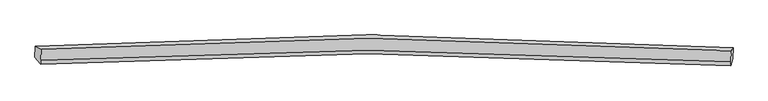
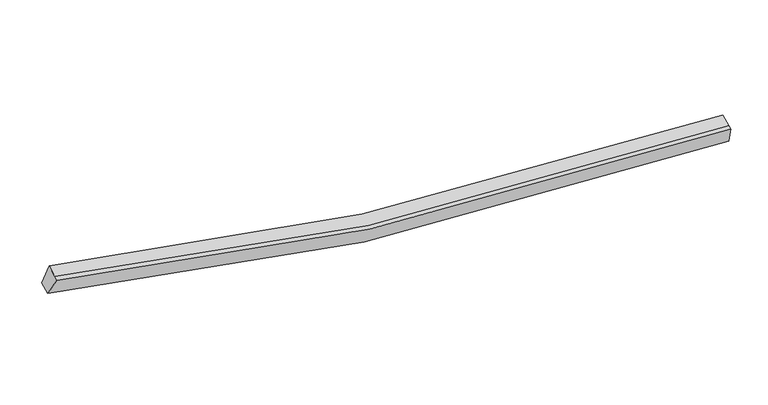
"""IFC4 building model written with IfcOpenShell, lengths in millimetres: proxy geometry."""

from ifc_helpers import new_model, si_unit, frame, origin, place, context, project, spatial, source, transform, mapped, element, save
from ifc_brep_helpers import plane_surface, spline_curve, spline_surface, advanced_brep


def generic_models_1fa2c517(model_context):
    return source(origin(), model_context, "Body", "AdvancedBrep", [
        advanced_brep(
        [(-11918.3770099, -1871.0629096, 4585.4781708), (-11710.3146218, -1977.1014906, 5242.202635), (13093.1356371, -2031.7048323, 2478.445065), (13154.6033419, -1926.1781665, 1792.2184231), (-11728.8322296, -2384.3057357, 5080.0926181), (13074.6180293, -2438.9090774, 2316.3350481), (-11735.1640835, -2523.5439037, 5024.6612172), (13068.2861754, -2578.1472454, 2260.9036472), (-11936.7663034, -2275.445509, 4424.491465), (13136.2140484, -2330.5607659, 1631.2317173)],
        [
            (0, 1),
            (1, 2, spline_curve(3, [(-11710.3146218, -1977.1014906, 5242.202635), (-7822.492161931, -1713.957420637, 4154.605667605), (-3899.314934078, -1581.080343296, 3376.627336879), (4362.08361091, -1575.633140862, 2399.167483048), (8706.72313456, -1726.711330499, 2255.893291918), (13093.1356371, -2031.7048323, 2478.445065)], [4, 2, 4], [0.0, 39.60047300758039, 82.64560962711806])),
            (2, 3),
            (3, 0, spline_curve(3, [(13154.6033419, -1926.1781665, 1792.2184231), (8719.755125846, -1617.570708381, 1566.121498481), (4327.534950575, -1464.714565491, 1710.364722479), (-4023.575582729, -1470.273223794, 2698.352216492), (-7989.015522988, -1604.757614398, 3485.195574682), (-11918.3770099, -1871.0629096, 4585.4781708)], [4, 2, 4], [0.0, 43.04513661953767, 82.64560962711806])),
            (1, 4),
            (4, 5, spline_curve(3, [(-11728.8322296, -2384.3057357, 5080.0926181), (-7841.820235991, -2138.983924021, 3985.400521484), (-3919.065131375, -2015.389391674, 3203.726763753), (4342.262912526, -2011.492465289, 2225.64973851), (8687.324561618, -2153.288110778, 2086.070973198), (13074.6180293, -2438.9090774, 2316.3350481)], [4, 2, 4], [0.0, 39.38625977682845, 82.19854973865917])),
            (5, 2),
            (4, 6),
            (6, 7, spline_curve(3, [(-11735.1640835, -2523.5439037, 5024.6612172), (-7848.152089884, -2278.22209168, 3929.969120577), (-3925.396985452, -2154.627559463, 3148.295362374), (4335.931058818, -2150.730633518, 2170.21833813), (8680.992707634, -2292.526278637, 2030.639571999), (13068.2861754, -2578.1472454, 2260.9036472)], [4, 2, 4], [0.0, 39.38628301740476, 82.19859824140296])),
            (7, 5),
            (6, 8),
            (8, 9, spline_curve(3, [(-11936.7663034, -2275.445509, 4424.491465), (-8008.215283272, -2026.962471989, 3317.113740038), (-4043.197465727, -1901.760626677, 2526.574954268), (4307.842566493, -1897.752243995, 1537.970289049), (8700.484867334, -2041.325843034, 1397.422490396), (13136.2140484, -2330.5607659, 1631.2317173)], [4, 2, 4], [0.0, 39.60046301939437, 82.6455887819195])),
            (9, 7),
            (8, 0),
            (3, 9),
        ],
        [
            spline_surface(3, 3, [[(-11918.3770099, -1871.0629096, 4585.4781708), (-7989.015523268, -1604.757614528, 3485.19557447), (-4023.575582239, -1470.273223637, 2698.352216381), (4327.534950042, -1464.714565661, 1710.3647226), (8719.755126284, -1617.570708869, 1566.121498097), (13154.6033419, -1926.1781665, 1792.2184231)], [(-11849.022880542, -1906.40910325, 4804.386325541), (-7933.507736101, -1641.157549748, 3708.332272194), (-3982.155366038, -1507.208930378, 2924.443923062), (4339.05117016, -1501.687423817, 1939.965642938), (8715.411129266, -1653.950916038, 1796.045429213), (13134.114106954, -1961.353721752, 2020.960637046)], [(-11779.668751158, -1941.75529695, 5023.294480259), (-7877.99994891, -1677.557485016, 3931.468969896), (-3940.735149821, -1544.144637177, 3150.535629709), (4350.567390294, -1538.660282031, 2169.566563241), (8711.067132288, -1690.331123249, 2025.969360392), (13113.624872046, -1996.529277048, 2249.702851054)], [(-11710.3146218, -1977.1014906, 5242.202635), (-7822.492161743, -1713.957420236, 4154.605667621), (-3899.314933621, -1581.080343918, 3376.627336391), (4362.083610412, -1575.633140187, 2399.167483579), (8706.72313527, -1726.711330418, 2255.893291508), (13093.1356371, -2031.7048323, 2478.445065)]], [4, 4], [4, 2, 4], [0.0, 2.2867481508834264], [0.0, 39.60047300758039, 82.64560962711806]),
            spline_surface(3, 3, [[(-11710.3146218, -1977.1014906, 5242.202635), (-7822.492161743, -1713.957420236, 4154.605667621), (-3899.314933621, -1581.080343918, 3376.627336391), (4362.083610412, -1575.633140187, 2399.167483579), (8706.72313527, -1726.711330418, 2255.893291508), (13093.1356371, -2031.7048323, 2478.445065)], [(-11716.487157734, -2112.83623898, 5188.165962701), (-7828.934853336, -1855.632921447, 4098.203952341), (-3905.898333077, -1725.850026639, 3318.993812202), (4355.476711353, -1720.919581764, 2341.328235143), (8700.256944075, -1868.903590485, 2199.285851981), (13086.963101166, -2167.43958068, 2424.408392701)], [(-11722.659693666, -2248.57098732, 5134.129290399), (-7835.377544926, -1997.308422618, 4041.802237058), (-3912.481732553, -1870.619709326, 3261.36028809), (4348.869812275, -1866.206023306, 2283.488986784), (8693.790752882, -2011.09585051, 2142.67841245), (13080.790565234, -2303.17432902, 2370.371720399)], [(-11728.8322296, -2384.3057357, 5080.0926181), (-7841.820236518, -2138.983923829, 3985.400521778), (-3919.06513201, -2015.389392048, 3203.726763902), (4342.262913216, -2011.492464883, 2225.649738348), (8687.324561688, -2153.288110577, 2086.070972923), (13074.6180293, -2438.9090774, 2316.3350481)]], [4, 4], [4, 2, 4], [0.0, 1.5378267779636985], [0.0, 39.38625977682845, 82.19854973865917]),
            spline_surface(3, 3, [[(-11728.8322296, -2384.3057357, 5080.0926181), (-7841.820236518, -2138.983923829, 3985.400521778), (-3919.06513201, -2015.389392048, 3203.726763902), (4342.262913216, -2011.492464883, 2225.649738348), (8687.324561688, -2153.288110577, 2086.070972923), (13074.6180293, -2438.9090774, 2316.3350481)], [(-11730.942847565, -2430.718458357, 5061.615484465), (-7843.930854483, -2185.396646486, 3966.923388143), (-3921.175749975, -2061.802114705, 3185.249630267), (4340.152295251, -2057.90518754, 2207.172604713), (8685.213943723, -2199.700833234, 2067.593839288), (13072.507411335, -2485.321800057, 2297.857914465)], [(-11733.053465535, -2477.131181043, 5043.138350835), (-7846.041472454, -2231.809369172, 3948.446254513), (-3923.286367945, -2108.21483739, 3166.772496636), (4338.041677281, -2104.317910226, 2188.695471083), (8683.103325753, -2246.11355592, 2049.116705658), (13070.396793365, -2531.734522743, 2279.380780835)], [(-11735.1640835, -2523.5439037, 5024.6612172), (-7848.152090418, -2278.222091829, 3929.969120878), (-3925.39698591, -2154.627560048, 3148.295363002), (4335.931059316, -2150.730632883, 2170.218337448), (8680.992707788, -2292.526278577, 2030.639572023), (13068.2861754, -2578.1472454, 2260.9036472)]], [4, 4], [4, 2, 4], [0.0, 0.4921259842519726], [0.0, 39.38628301740476, 82.19859824140296]),
            spline_surface(3, 3, [[(-11735.1640835, -2523.5439037, 5024.6612172), (-7848.152090418, -2278.222091829, 3929.969120878), (-3925.39698591, -2154.627560048, 3148.295363002), (4335.931059316, -2150.730632883, 2170.218337448), (8680.992707788, -2292.526278577, 2030.639572023), (13068.2861754, -2578.1472454, 2260.9036472)], [(-11802.364823459, -2440.844438814, 4824.604633118), (-7901.506488185, -2194.468885374, 3725.683993813), (-3964.663812711, -2070.338582071, 2941.055226979), (4326.568228597, -2066.404503491, 1959.46898777), (8687.490094205, -2208.792800173, 1819.567211567), (13090.928799746, -2495.618418912, 2051.013003914)], [(-11869.565563441, -2358.144973886, 4624.548049082), (-7954.860885976, -2110.715678876, 3521.398866792), (-4003.930639527, -1986.049604043, 2733.815090914), (4317.205397864, -1982.078374049, 1748.719638048), (8693.987480585, -2125.059321732, 1608.494851069), (13113.571424054, -2413.089592388, 1841.122360586)], [(-11936.7663034, -2275.445509, 4424.491465), (-8008.215283743, -2026.962472421, 3317.113739727), (-4043.197466328, -1901.760626067, 2526.574954892), (4307.842567146, -1897.752244657, 1537.97028837), (8700.484867002, -2041.325843328, 1397.422490613), (13136.2140484, -2330.5607659, 1631.2317173)]], [4, 4], [4, 2, 4], [0.0, 2.230944606810213], [0.0, 39.60046301939437, 82.6455887819195]),
            spline_surface(3, 3, [[(-11936.7663034, -2275.445509, 4424.491465), (-8008.215283743, -2026.962472421, 3317.113739727), (-4043.197466328, -1901.760626067, 2526.574954892), (4307.842567146, -1897.752244657, 1537.97028837), (8700.484867002, -2041.325843328, 1397.422490613), (13136.2140484, -2330.5607659, 1631.2317173)], [(-11930.6365389, -2140.651309198, 4478.153700274), (-8001.815363585, -1886.227519788, 3373.141017982), (-4036.656838306, -1757.931491924, 2583.834042056), (4314.40669477, -1753.406351658, 1595.435099781), (8706.908286762, -1900.074131839, 1453.655493115), (13142.3438129, -2195.766566098, 1684.893952574)], [(-11924.5067744, -2005.857109402, 4531.815935526), (-7995.415443426, -1745.492567161, 3429.168296215), (-4030.116210261, -1614.102357781, 2641.093129217), (4320.970822417, -1609.06045866, 1652.899911189), (8713.331706524, -1758.822420358, 1509.888495595), (13148.4735774, -2060.972366302, 1738.556187826)], [(-11918.3770099, -1871.0629096, 4585.4781708), (-7989.015523268, -1604.757614528, 3485.19557447), (-4023.575582239, -1470.273223637, 2698.352216381), (4327.534950042, -1464.714565661, 1710.3647226), (8719.755126284, -1617.570708869, 1566.121498097), (13154.6033419, -1926.1781665, 1792.2184231)]], [4, 4], [4, 2, 4], [0.0, 1.5278539005228704], [0.0, 39.814620197607326, 83.09253168954702]),
            plane_surface(frame((13113.0598007, -2216.6477525, 2040.6997131), z_axis=(0.9941022680208895, -0.07600321396584228, 0.07735756060389908), x_axis=(0.09989393093728619, 0.3640977639158399, -0.9259881321449979))),
            plane_surface(frame((-11825.1555046, -2161.7884532, 4819.208372), z_axis=(-0.9541076309056664, -0.07230300284169952, 0.2906043778535518), x_axis=(-0.04221235929939316, -0.9282544531422146, -0.3695426726969798))),
        ],
        [
            (0, [[1, 2, 3, 4]]),
            (1, [[5, 6, 7, -2]]),
            (2, [[8, 9, 10, -6]]),
            (3, [[11, 12, 13, -9]]),
            (4, [[14, -4, 15, -12]]),
            (5, [[-13, -15, -3, -7, -10]]),
            (6, [[-14, -11, -8, -5, -1]]),
        ],
    ),
    ])


if __name__ == "__main__":
    model = new_model("IFC4")
    model_context = context("Model", 3, world=origin())
    ifc_project = project(units=[si_unit("LENGTHUNIT", "METRE", prefix="MILLI")], contexts=[model_context])
    site = spatial("IfcSite", under=ifc_project)
    building = spatial("IfcBuilding", under=site)
    placement = place(None, origin())
    generic_models_shape = generic_models_1fa2c517(model_context)
    element("IfcBuildingElementProxy", 1, Name="Generic Models", at=placement, inside=building, context=model_context, shape_type="MappedRepresentation", body=[
        mapped(generic_models_shape, transform((0.0, 0.0, 0.0), x_axis=(1.0, 0.0, 0.0), y_axis=(0.0, 1.0, 0.0), z_axis=(0.0, 0.0, 1.0))),
    ])
    save(model, "model.ifc")
